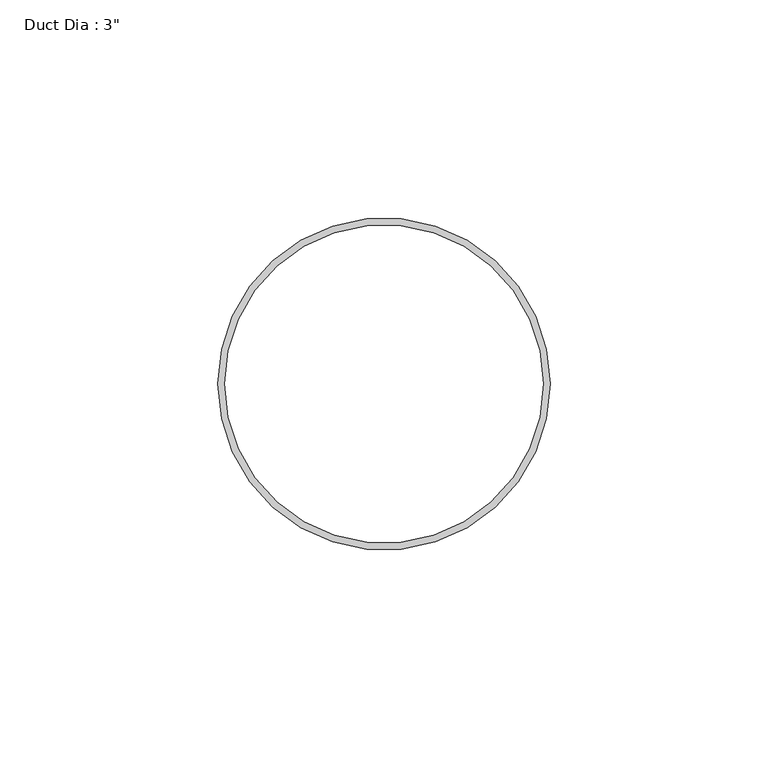
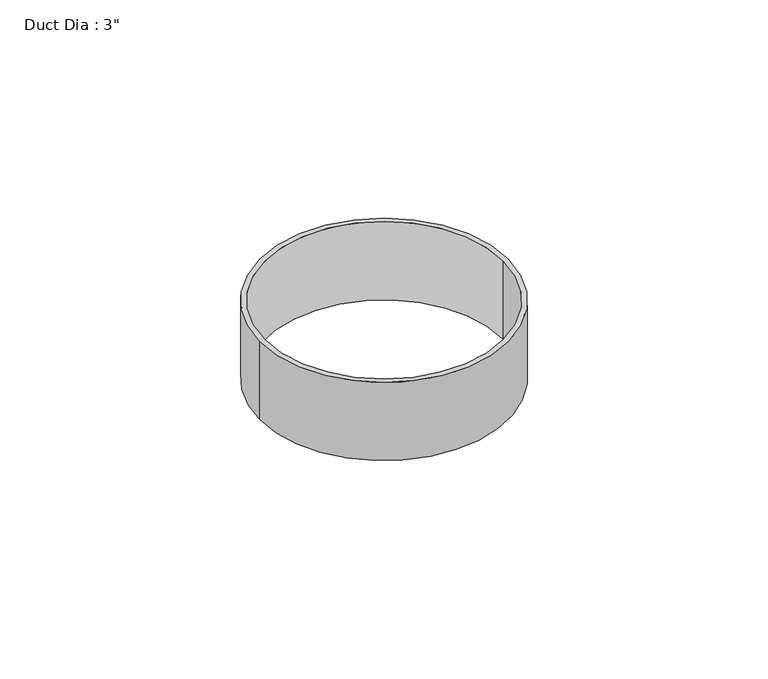
"""IFC4 building model written with IfcOpenShell, lengths in millimetres: proxy geometry."""

from ifc_helpers import new_model, si_unit, point, origin, origin_with_axes, origin_2d, place, context, project, spatial, circle_curve, trimmed, segment, composite_curve, outline, extrude, source, transform, mapped, element, save


def proxy_4bb4e7fd(model_context):
    return source(origin(), model_context, "Body", "SweptSolid", [
        extrude(outline(composite_curve([segment(trimmed(circle_curve(origin_2d(), 38.1), [point((-38.1, 0.0))], [point((38.1, 0.0))], False, "CARTESIAN"), True, "CONTINUOUS"), segment(trimmed(circle_curve(origin_2d(), 38.1), [point((38.1, 0.0))], [point((-38.1, 0.0))], False, "CARTESIAN"), True, "CONTINUOUS")], self_intersect=False), holes=[composite_curve([segment(trimmed(circle_curve(origin_2d(), 36.5125), [point((-36.5125, 0.0))], [point((36.5125, 0.0))], True, "CARTESIAN"), True, "CONTINUOUS"), segment(trimmed(circle_curve(origin_2d(), 36.5125), [point((36.5125, 0.0))], [point((-36.5125, 0.0))], True, "CARTESIAN"), True, "CONTINUOUS")], self_intersect=False)]), origin_with_axes(), (0.0, 0.0, 1.0), 25.4),
    ])


if __name__ == "__main__":
    model = new_model("IFC4")
    model_context = context("Model", 3, world=origin())
    ifc_project = project(units=[si_unit("LENGTHUNIT", "METRE", prefix="MILLI")], contexts=[model_context])
    site = spatial("IfcSite", under=ifc_project)
    building = spatial("IfcBuilding", under=site)
    placement = place(None, origin())
    proxy_shape = proxy_4bb4e7fd(model_context)
    element("IfcBuildingElementProxy", 1, Name="Duct Dia : 3\"", ObjectType="Duct Dia : 3\"", at=placement, inside=building, context=model_context, shape_type="MappedRepresentation", body=[
        mapped(proxy_shape, transform((0.0, 0.0, 0.0), x_axis=(1.0, 0.0, 0.0), y_axis=(0.0, 1.0, 0.0), z_axis=(0.0, 0.0, 1.0))),
    ])
    save(model, "model.ifc")
